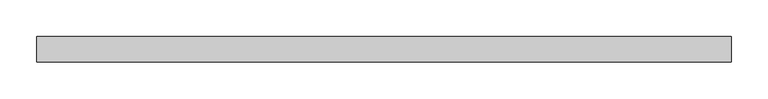
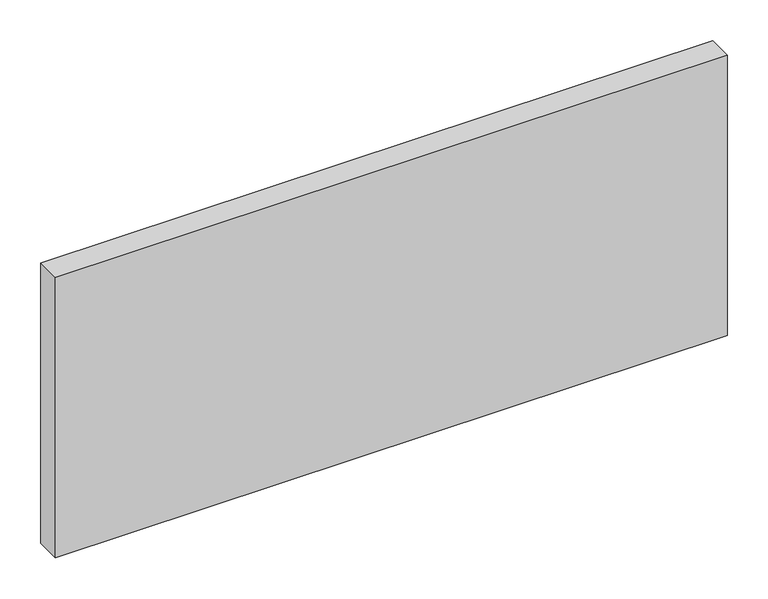
"""IFC4 building model written with IfcOpenShell, lengths in millimetres: plate geometry."""

from ifc_helpers import new_model, si_unit, origin, origin_with_axes, place, context, project, spatial, polyline, outline, extrude, source, transform, mapped, element, save


def plate_8e8d018a(model_context):
    return source(origin(), model_context, "Body", "SweptSolid", [
        extrude(outline(polyline([(473.0982143, -17.5), (-473.0982143, -17.5), (-473.0982143, 17.5), (473.0982143, 17.5), (473.0982143, -17.5)])), origin_with_axes(), (0.0, 0.0, 1.0), 417.625),
    ])


if __name__ == "__main__":
    model = new_model("IFC4")
    model_context = context("Model", 3, world=origin())
    ifc_project = project(units=[si_unit("LENGTHUNIT", "METRE", prefix="MILLI")], contexts=[model_context])
    site = spatial("IfcSite", under=ifc_project)
    building = spatial("IfcBuilding", under=site)
    placement = place(None, origin())
    plate_shape = plate_8e8d018a(model_context)
    element("IfcPlate", 1, at=placement, inside=building, context=model_context, shape_type="MappedRepresentation", body=[
        mapped(plate_shape, transform((0.0, 0.0, 0.0), x_axis=(1.0, 0.0, 0.0), y_axis=(0.0, 1.0, 0.0), z_axis=(0.0, 0.0, 1.0))),
    ])
    save(model, "model.ifc")
